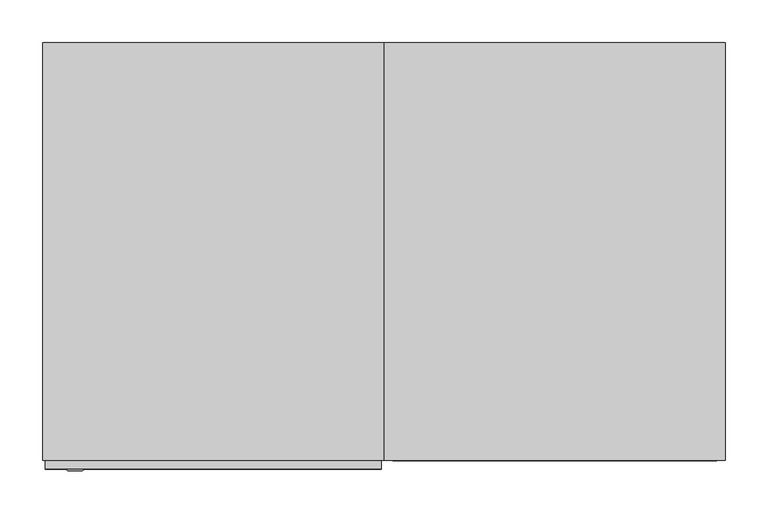
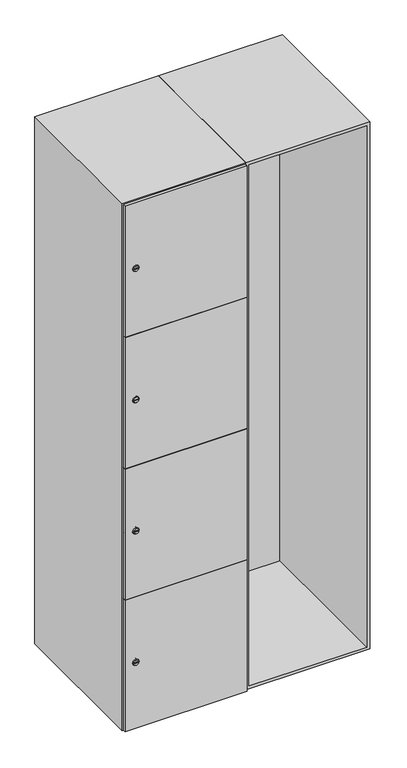
"""IFC4 building model written with IfcOpenShell, lengths in millimetres: furniture geometry."""

from ifc_helpers import new_model, si_unit, point, frame, frame_2d, origin, place, context, project, spatial, polyline, circle_curve, trimmed, segment, composite_curve, outline, extrude, faceted_brep, source, transform, mapped, element, save
from ifc_brep_helpers import plane_surface, revolved_surface, advanced_brep


def furniture_5c65eda2(model_context):
    return source(origin(), model_context, "Body", "SolidModel", [
        faceted_brep([(600.0, -245.0, 100.0), (600.0, -245.0, 1900.0), (200.0, -245.0, 1900.0), (200.0, -245.0, 100.0), (590.0, -245.0, 1890.0), (590.0, -245.0, 110.0), (210.0, -245.0, 110.0), (210.0, -245.0, 1890.0), (600.0, 245.0, 100.0), (200.0, 245.0, 100.0), (600.0, 245.0, 1900.0), (200.0, 245.0, 1900.0), (590.0, 241.0, 1890.0), (590.0, 241.0, 110.0), (200.0, 245.0, 1890.0), (210.0, 241.0, 1890.0), (210.0, 241.0, 110.0)], [[[0, 1, 2, 3], [4, 5, 6, 7]], [[8, 0, 3, 9]], [[1, 0, 8, 10]], [[1, 10, 11, 2]], [[4, 12, 13, 5]], [[9, 3, 2, 11, 14]], [[10, 8, 9, 14, 11]], [[12, 15, 16, 13]], [[15, 7, 6, 16]], [[4, 7, 15, 12]], [[6, 5, 13, 16]]]),
        extrude(outline(composite_curve([segment(trimmed(circle_curve(frame_2d((327.25, -188.7989466)), 7.0), [point((334.25, -188.7989466))], [point((320.25, -188.7989466))], False, "CARTESIAN"), True, "CONTINUOUS"), segment(polyline([(320.25, -188.7989466), (320.25, -160.7989466)]), True, "CONTINUOUS"), segment(trimmed(circle_curve(frame_2d((327.25, -160.7989466)), 7.0), [point((320.25, -160.7989466))], [point((334.25, -160.7989466))], False, "CARTESIAN"), True, "CONTINUOUS"), segment(polyline([(334.25, -160.7989466), (334.25, -188.7989466)]), True, "CONTINUOUS")], self_intersect=False)), frame((0.0, -245.0, 0.0), z_axis=(0.0, 1.0, 0.0), x_axis=(0.0, 0.0, 1.0)), (0.0, 0.0, 1.0), 2.0),
        advanced_brep(
        [(-153.5, -257.2, 327.25), (-170.5, -257.2, 327.25), (-167.0, -257.2, 326.0), (-167.0, -257.2, 328.5), (-157.0, -257.2, 328.5), (-157.0, -257.2, 326.0), (-151.5, -255.0, 327.25), (-172.5, -255.0, 327.25), (-167.0, -255.0, 328.5), (-167.0, -255.0, 326.0), (-157.0, -255.0, 326.0), (-157.0, -255.0, 328.5)],
        [
            (0, 1, circle_curve(frame((-162.0, -257.2, 327.25), z_axis=(0.0, -1.0, 0.0), x_axis=(1.0, 0.0, 0.0)), 8.5)),
            (1, 0, circle_curve(frame((-162.0, -257.2, 327.25), z_axis=(0.0, -1.0, 0.0), x_axis=(-1.0, 0.0, 0.0)), 8.5)),
            (2, 3),
            (3, 4),
            (4, 5),
            (5, 2),
            (6, 7, circle_curve(frame((-162.0, -255.0, 327.25), z_axis=(0.0, 1.0, 0.0), x_axis=(-1.0, 0.0, 0.0)), 10.5)),
            (7, 6, circle_curve(frame((-162.0, -255.0, 327.25), z_axis=(0.0, 1.0, 0.0), x_axis=(1.0, 0.0, 0.0)), 10.5)),
            (8, 9),
            (9, 10),
            (10, 11),
            (11, 8),
            (0, 6),
            (7, 1),
            (8, 3),
            (2, 9),
            (11, 4),
            (10, 5),
        ],
        [
            plane_surface(frame((-162.0, -257.2, 327.25), z_axis=(0.0, -1.0, 0.0), x_axis=(0.0, 0.0, 1.0))),
            plane_surface(frame((-162.0, -255.0, 327.25), z_axis=(0.0, 1.0, 0.0), x_axis=(0.0, 0.0, 1.0))),
            revolved_surface(polyline([(-153.5, -257.2, 327.25), (-151.5, -255.0, 327.25)]), (-162.0, -266.55, 327.25), (0.0, 1.0, 0.0)),
            revolved_surface(polyline([(-170.5, -257.2, 327.25), (-172.5, -255.0, 327.25)]), (-162.0, -266.55, 327.25), (0.0, 1.0, 0.0)),
            plane_surface(frame((-167.0, -255.0, 326.0), z_axis=(1.0, 0.0, 0.0), x_axis=(0.0, -1.0, 0.0))),
            plane_surface(frame((-167.0, -255.0, 328.5), z_axis=(0.0, 0.0, -1.0), x_axis=(0.0, -1.0, 0.0))),
            plane_surface(frame((-157.0, -255.0, 328.5), z_axis=(-1.0, 0.0, 0.0), x_axis=(0.0, -1.0, 0.0))),
            plane_surface(frame((-157.0, -255.0, 326.0), z_axis=(0.0, 0.0, 1.0), x_axis=(0.0, -1.0, 0.0))),
        ],
        [
            (0, [[1, 2], [3, 4, 5, 6]]),
            (1, [[7, 8], [9, 10, 11, 12]]),
            (2, [[-1, 13, -8, 14]]),
            (3, [[-2, -14, -7, -13]]),
            (4, [[15, -3, 16, -9]]),
            (5, [[-15, -12, 17, -4]]),
            (6, [[-17, -11, 18, -5]]),
            (7, [[-16, -6, -18, -10]]),
        ],
    ),
        extrude(outline(composite_curve([segment(trimmed(circle_curve(frame_2d((775.75, -188.7989466)), 7.0), [point((782.75, -188.7989466))], [point((768.75, -188.7989466))], False, "CARTESIAN"), True, "CONTINUOUS"), segment(polyline([(768.75, -188.7989466), (768.75, -160.7989466)]), True, "CONTINUOUS"), segment(trimmed(circle_curve(frame_2d((775.75, -160.7989466)), 7.0), [point((768.75, -160.7989466))], [point((782.75, -160.7989466))], False, "CARTESIAN"), True, "CONTINUOUS"), segment(polyline([(782.75, -160.7989466), (782.75, -188.7989466)]), True, "CONTINUOUS")], self_intersect=False)), frame((0.0, -245.0, 0.0), z_axis=(0.0, 1.0, 0.0), x_axis=(0.0, 0.0, 1.0)), (0.0, 0.0, 1.0), 2.0),
        advanced_brep(
        [(-153.5, -257.2, 775.75), (-170.5, -257.2, 775.75), (-167.0, -257.2, 774.5), (-167.0, -257.2, 777.0), (-157.0, -257.2, 777.0), (-157.0, -257.2, 774.5), (-151.5, -255.0, 775.75), (-172.5, -255.0, 775.75), (-167.0, -255.0, 777.0), (-167.0, -255.0, 774.5), (-157.0, -255.0, 774.5), (-157.0, -255.0, 777.0)],
        [
            (0, 1, circle_curve(frame((-162.0, -257.2, 775.75), z_axis=(0.0, -1.0, 0.0), x_axis=(1.0, 0.0, 0.0)), 8.5)),
            (1, 0, circle_curve(frame((-162.0, -257.2, 775.75), z_axis=(0.0, -1.0, 0.0), x_axis=(-1.0, 0.0, 0.0)), 8.5)),
            (2, 3),
            (3, 4),
            (4, 5),
            (5, 2),
            (6, 7, circle_curve(frame((-162.0, -255.0, 775.75), z_axis=(0.0, 1.0, 0.0), x_axis=(-1.0, 0.0, 0.0)), 10.5)),
            (7, 6, circle_curve(frame((-162.0, -255.0, 775.75), z_axis=(0.0, 1.0, 0.0), x_axis=(1.0, 0.0, 0.0)), 10.5)),
            (8, 9),
            (9, 10),
            (10, 11),
            (11, 8),
            (0, 6),
            (7, 1),
            (8, 3),
            (2, 9),
            (11, 4),
            (10, 5),
        ],
        [
            plane_surface(frame((-162.0, -257.2, 775.75), z_axis=(0.0, -1.0, 0.0), x_axis=(0.0, 0.0, 1.0))),
            plane_surface(frame((-162.0, -255.0, 775.75), z_axis=(0.0, 1.0, 0.0), x_axis=(0.0, 0.0, 1.0))),
            revolved_surface(polyline([(-153.5, -257.2, 775.75), (-151.5, -255.0, 775.75)]), (-162.0, -266.55, 775.75), (0.0, 1.0, 0.0)),
            revolved_surface(polyline([(-170.5, -257.2, 775.75), (-172.5, -255.0, 775.75)]), (-162.0, -266.55, 775.75), (0.0, 1.0, 0.0)),
            plane_surface(frame((-167.0, -255.0, 774.5), z_axis=(1.0, 0.0, 0.0), x_axis=(0.0, -1.0, 0.0))),
            plane_surface(frame((-167.0, -255.0, 777.0), z_axis=(0.0, 0.0, -1.0), x_axis=(0.0, -1.0, 0.0))),
            plane_surface(frame((-157.0, -255.0, 777.0), z_axis=(-1.0, 0.0, 0.0), x_axis=(0.0, -1.0, 0.0))),
            plane_surface(frame((-157.0, -255.0, 774.5), z_axis=(0.0, 0.0, 1.0), x_axis=(0.0, -1.0, 0.0))),
        ],
        [
            (0, [[1, 2], [3, 4, 5, 6]]),
            (1, [[7, 8], [9, 10, 11, 12]]),
            (2, [[-1, 13, -8, 14]]),
            (3, [[-2, -14, -7, -13]]),
            (4, [[15, -3, 16, -9]]),
            (5, [[-15, -12, 17, -4]]),
            (6, [[-17, -11, 18, -5]]),
            (7, [[-16, -6, -18, -10]]),
        ],
    ),
        extrude(outline(composite_curve([segment(trimmed(circle_curve(frame_2d((1224.25, -188.7989466)), 7.0), [point((1231.25, -188.7989466))], [point((1217.25, -188.7989466))], False, "CARTESIAN"), True, "CONTINUOUS"), segment(polyline([(1217.25, -188.7989466), (1217.25, -160.7989466)]), True, "CONTINUOUS"), segment(trimmed(circle_curve(frame_2d((1224.25, -160.7989466)), 7.0), [point((1217.25, -160.7989466))], [point((1231.25, -160.7989466))], False, "CARTESIAN"), True, "CONTINUOUS"), segment(polyline([(1231.25, -160.7989466), (1231.25, -188.7989466)]), True, "CONTINUOUS")], self_intersect=False)), frame((0.0, -245.0, 0.0), z_axis=(0.0, 1.0, 0.0), x_axis=(0.0, 0.0, 1.0)), (0.0, 0.0, 1.0), 2.0),
        advanced_brep(
        [(-153.5, -257.2, 1224.25), (-170.5, -257.2, 1224.25), (-167.0, -257.2, 1223.0), (-167.0, -257.2, 1225.5), (-157.0, -257.2, 1225.5), (-157.0, -257.2, 1223.0), (-151.5, -255.0, 1224.25), (-172.5, -255.0, 1224.25), (-167.0, -255.0, 1225.5), (-167.0, -255.0, 1223.0), (-157.0, -255.0, 1223.0), (-157.0, -255.0, 1225.5)],
        [
            (0, 1, circle_curve(frame((-162.0, -257.2, 1224.25), z_axis=(0.0, -1.0, 0.0), x_axis=(1.0, 0.0, 0.0)), 8.5)),
            (1, 0, circle_curve(frame((-162.0, -257.2, 1224.25), z_axis=(0.0, -1.0, 0.0), x_axis=(-1.0, 0.0, 0.0)), 8.5)),
            (2, 3),
            (3, 4),
            (4, 5),
            (5, 2),
            (6, 7, circle_curve(frame((-162.0, -255.0, 1224.25), z_axis=(0.0, 1.0, 0.0), x_axis=(-1.0, 0.0, 0.0)), 10.5)),
            (7, 6, circle_curve(frame((-162.0, -255.0, 1224.25), z_axis=(0.0, 1.0, 0.0), x_axis=(1.0, 0.0, 0.0)), 10.5)),
            (8, 9),
            (9, 10),
            (10, 11),
            (11, 8),
            (0, 6),
            (7, 1),
            (8, 3),
            (2, 9),
            (11, 4),
            (10, 5),
        ],
        [
            plane_surface(frame((-162.0, -257.2, 1224.25), z_axis=(0.0, -1.0, 0.0), x_axis=(0.0, 0.0, 1.0))),
            plane_surface(frame((-162.0, -255.0, 1224.25), z_axis=(0.0, 1.0, 0.0), x_axis=(0.0, 0.0, 1.0))),
            revolved_surface(polyline([(-153.5, -257.2, 1224.25), (-151.5, -255.0, 1224.25)]), (-162.0, -266.55, 1224.25), (0.0, 1.0, 0.0)),
            revolved_surface(polyline([(-170.5, -257.2, 1224.25), (-172.5, -255.0, 1224.25)]), (-162.0, -266.55, 1224.25), (0.0, 1.0, 0.0)),
            plane_surface(frame((-167.0, -255.0, 1223.0), z_axis=(1.0, 0.0, 0.0), x_axis=(0.0, -1.0, 0.0))),
            plane_surface(frame((-167.0, -255.0, 1225.5), z_axis=(0.0, 0.0, -1.0), x_axis=(0.0, -1.0, 0.0))),
            plane_surface(frame((-157.0, -255.0, 1225.5), z_axis=(-1.0, 0.0, 0.0), x_axis=(0.0, -1.0, 0.0))),
            plane_surface(frame((-157.0, -255.0, 1223.0), z_axis=(0.0, 0.0, 1.0), x_axis=(0.0, -1.0, 0.0))),
        ],
        [
            (0, [[1, 2], [3, 4, 5, 6]]),
            (1, [[7, 8], [9, 10, 11, 12]]),
            (2, [[-1, 13, -8, 14]]),
            (3, [[-2, -14, -7, -13]]),
            (4, [[15, -3, 16, -9]]),
            (5, [[-15, -12, 17, -4]]),
            (6, [[-17, -11, 18, -5]]),
            (7, [[-16, -6, -18, -10]]),
        ],
    ),
        extrude(outline(composite_curve([segment(trimmed(circle_curve(frame_2d((1672.75, -188.7989466)), 7.0), [point((1679.75, -188.7989466))], [point((1665.75, -188.7989466))], False, "CARTESIAN"), True, "CONTINUOUS"), segment(polyline([(1665.75, -188.7989466), (1665.75, -160.7989466)]), True, "CONTINUOUS"), segment(trimmed(circle_curve(frame_2d((1672.75, -160.7989466)), 7.0), [point((1665.75, -160.7989466))], [point((1679.75, -160.7989466))], False, "CARTESIAN"), True, "CONTINUOUS"), segment(polyline([(1679.75, -160.7989466), (1679.75, -188.7989466)]), True, "CONTINUOUS")], self_intersect=False)), frame((0.0, -245.0, 0.0), z_axis=(0.0, 1.0, 0.0), x_axis=(0.0, 0.0, 1.0)), (0.0, 0.0, 1.0), 2.0),
        advanced_brep(
        [(-153.5, -257.2, 1672.75), (-170.5, -257.2, 1672.75), (-167.0, -257.2, 1671.5), (-167.0, -257.2, 1674.0), (-157.0, -257.2, 1674.0), (-157.0, -257.2, 1671.5), (-151.5, -255.0, 1672.75), (-172.5, -255.0, 1672.75), (-167.0, -255.0, 1674.0), (-167.0, -255.0, 1671.5), (-157.0, -255.0, 1671.5), (-157.0, -255.0, 1674.0)],
        [
            (0, 1, circle_curve(frame((-162.0, -257.2, 1672.75), z_axis=(0.0, -1.0, 0.0), x_axis=(1.0, 0.0, 0.0)), 8.5)),
            (1, 0, circle_curve(frame((-162.0, -257.2, 1672.75), z_axis=(0.0, -1.0, 0.0), x_axis=(-1.0, 0.0, 0.0)), 8.5)),
            (2, 3),
            (3, 4),
            (4, 5),
            (5, 2),
            (6, 7, circle_curve(frame((-162.0, -255.0, 1672.75), z_axis=(0.0, 1.0, 0.0), x_axis=(-1.0, 0.0, 0.0)), 10.5)),
            (7, 6, circle_curve(frame((-162.0, -255.0, 1672.75), z_axis=(0.0, 1.0, 0.0), x_axis=(1.0, 0.0, 0.0)), 10.5)),
            (8, 9),
            (9, 10),
            (10, 11),
            (11, 8),
            (0, 6),
            (7, 1),
            (8, 3),
            (2, 9),
            (11, 4),
            (10, 5),
        ],
        [
            plane_surface(frame((-162.0, -257.2, 1672.75), z_axis=(0.0, -1.0, 0.0), x_axis=(0.0, 0.0, 1.0))),
            plane_surface(frame((-162.0, -255.0, 1672.75), z_axis=(0.0, 1.0, 0.0), x_axis=(0.0, 0.0, 1.0))),
            revolved_surface(polyline([(-153.5, -257.2, 1672.75), (-151.5, -255.0, 1672.75)]), (-162.0, -266.55, 1672.75), (0.0, 1.0, 0.0)),
            revolved_surface(polyline([(-170.5, -257.2, 1672.75), (-172.5, -255.0, 1672.75)]), (-162.0, -266.55, 1672.75), (0.0, 1.0, 0.0)),
            plane_surface(frame((-167.0, -255.0, 1671.5), z_axis=(1.0, 0.0, 0.0), x_axis=(0.0, -1.0, 0.0))),
            plane_surface(frame((-167.0, -255.0, 1674.0), z_axis=(0.0, 0.0, -1.0), x_axis=(0.0, -1.0, 0.0))),
            plane_surface(frame((-157.0, -255.0, 1674.0), z_axis=(-1.0, 0.0, 0.0), x_axis=(0.0, -1.0, 0.0))),
            plane_surface(frame((-157.0, -255.0, 1671.5), z_axis=(0.0, 0.0, 1.0), x_axis=(0.0, -1.0, 0.0))),
        ],
        [
            (0, [[1, 2], [3, 4, 5, 6]]),
            (1, [[7, 8], [9, 10, 11, 12]]),
            (2, [[-1, 13, -8, 14]]),
            (3, [[-2, -14, -7, -13]]),
            (4, [[15, -3, 16, -9]]),
            (5, [[-15, -12, 17, -4]]),
            (6, [[-17, -11, 18, -5]]),
            (7, [[-16, -6, -18, -10]]),
        ],
    ),
        extrude(outline(polyline([(197.0, -245.0), (197.0, -255.0), (-197.0, -255.0), (-197.0, -245.0), (197.0, -245.0)])), frame((0.0, 0.0, 551.0), z_axis=(0.0, 0.0, 1.0), x_axis=(1.0, 0.0, 0.0)), (0.0, 0.0, 1.0), 448.5),
        extrude(outline(polyline([(197.0, -245.0), (197.0, -255.0), (-197.0, -255.0), (-197.0, -245.0), (197.0, -245.0)])), frame((0.0, 0.0, 1000.5), z_axis=(0.0, 0.0, 1.0), x_axis=(1.0, 0.0, 0.0)), (0.0, 0.0, 1.0), 447.5),
        extrude(outline(polyline([(-197.0, -255.0), (-197.0, -245.0), (197.0, -245.0), (197.0, -255.0), (-197.0, -255.0)])), frame((0.0, 0.0, 1449.0), z_axis=(0.0, 0.0, 1.0), x_axis=(1.0, 0.0, 0.0)), (0.0, 0.0, 1.0), 448.0),
        extrude(outline(polyline([(197.0, -245.0), (197.0, -255.0), (-197.0, -255.0), (-197.0, -245.0), (197.0, -245.0)])), frame((0.0, 0.0, 103.0), z_axis=(0.0, 0.0, 1.0), x_axis=(1.0, 0.0, 0.0)), (0.0, 0.0, 1.0), 449.0),
        extrude(outline(polyline([(190.0, 241.0), (190.0, -235.0), (-190.0, -235.0), (-190.0, 241.0), (190.0, 241.0)])), frame((0.0, 0.0, 1440.0), z_axis=(0.0, 0.0, 1.0), x_axis=(1.0, 0.0, 0.0)), (0.0, 0.0, 1.0), 10.0),
        extrude(outline(polyline([(190.0, 241.0), (190.0, -235.0), (-190.0, -235.0), (-190.0, 241.0), (190.0, 241.0)])), frame((0.0, 0.0, 995.0), z_axis=(0.0, 0.0, 1.0), x_axis=(1.0, 0.0, 0.0)), (0.0, 0.0, 1.0), 10.0),
        extrude(outline(polyline([(190.0, 241.0), (190.0, -235.0), (-190.0, -235.0), (-190.0, 241.0), (190.0, 241.0)])), frame((0.0, 0.0, 550.0), z_axis=(0.0, 0.0, 1.0), x_axis=(1.0, 0.0, 0.0)), (0.0, 0.0, 1.0), 10.0),
        faceted_brep([(200.0, -245.0, 100.0), (200.0, -245.0, 1900.0), (-200.0, -245.0, 1900.0), (-200.0, -245.0, 100.0), (190.0, -245.0, 1890.0), (190.0, -245.0, 110.0), (-190.0, -245.0, 110.0), (-190.0, -245.0, 1890.0), (200.0, 245.0, 100.0), (-200.0, 245.0, 100.0), (200.0, 245.0, 1900.0), (-200.0, 245.0, 1900.0), (190.0, 241.0, 1890.0), (190.0, 241.0, 110.0), (-200.0, 245.0, 1890.0), (-190.0, 241.0, 1890.0), (-190.0, 241.0, 110.0)], [[[0, 1, 2, 3], [4, 5, 6, 7]], [[8, 0, 3, 9]], [[1, 0, 8, 10]], [[1, 10, 11, 2]], [[4, 12, 13, 5]], [[9, 3, 2, 11, 14]], [[10, 8, 9, 14, 11]], [[12, 15, 16, 13]], [[15, 7, 6, 16]], [[4, 7, 15, 12]], [[6, 5, 13, 16]]]),
    ])


if __name__ == "__main__":
    model = new_model("IFC4")
    model_context = context("Model", 3, world=origin())
    ifc_project = project(units=[si_unit("LENGTHUNIT", "METRE", prefix="MILLI")], contexts=[model_context])
    site = spatial("IfcSite", under=ifc_project)
    building = spatial("IfcBuilding", under=site)
    placement = place(None, origin())
    furniture_shape = furniture_5c65eda2(model_context)
    element("IfcFurniture", 1, at=placement, inside=building, context=model_context, shape_type="MappedRepresentation", body=[
        mapped(furniture_shape, transform((0.0, 0.0, 0.0), x_axis=(1.0, 0.0, 0.0), y_axis=(0.0, 1.0, 0.0), z_axis=(0.0, 0.0, 1.0))),
    ])
    save(model, "model.ifc")
